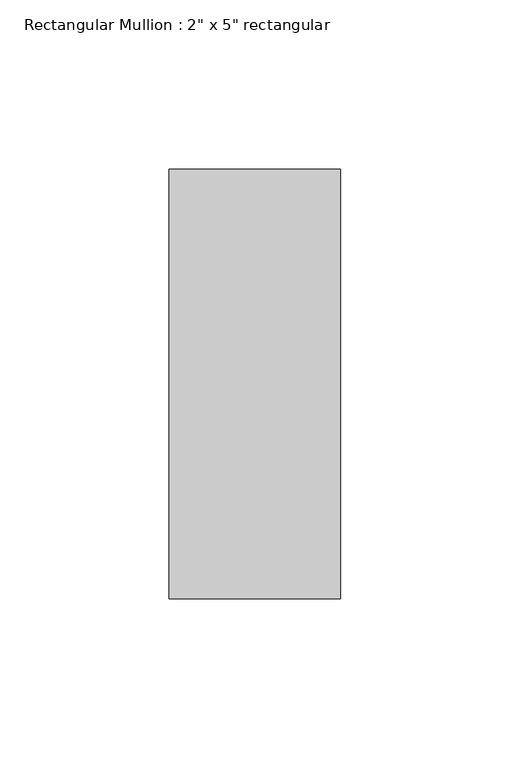
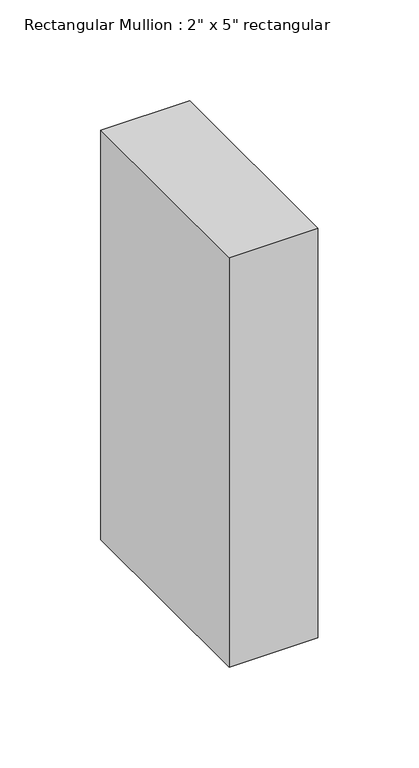
"""IFC4 building model written with IfcOpenShell, lengths in millimetres: member geometry."""

from ifc_helpers import new_model, si_unit, frame, origin, place, context, project, spatial, polyline, outline, extrude, source, transform, mapped, element, save


def member_01a4be60(model_context):
    return source(origin(), model_context, "Body", "SweptSolid", [
        extrude(outline(polyline([(0.0, 63.5), (0.0, -63.5), (-50.8, -63.5), (-50.8, 63.5), (0.0, 63.5)])), frame((0.0, 0.0, -247.65), z_axis=(0.0, 0.0, 1.0), x_axis=(1.0, 0.0, 0.0)), (0.0, 0.0, 1.0), 247.65),
    ])


if __name__ == "__main__":
    model = new_model("IFC4")
    model_context = context("Model", 3, world=origin())
    ifc_project = project(units=[si_unit("LENGTHUNIT", "METRE", prefix="MILLI")], contexts=[model_context])
    site = spatial("IfcSite", under=ifc_project)
    building = spatial("IfcBuilding", under=site)
    placement = place(None, origin())
    member_shape = member_01a4be60(model_context)
    element("IfcMember", 1, ObjectType="Rectangular Mullion : 2\" x 5\" rectangular", at=placement, inside=building, context=model_context, shape_type="MappedRepresentation", body=[
        mapped(member_shape, transform((0.0, 0.0, 0.0), x_axis=(1.0, 0.0, 0.0), y_axis=(0.0, 1.0, 0.0), z_axis=(0.0, 0.0, 1.0))),
    ])
    save(model, "model.ifc")
